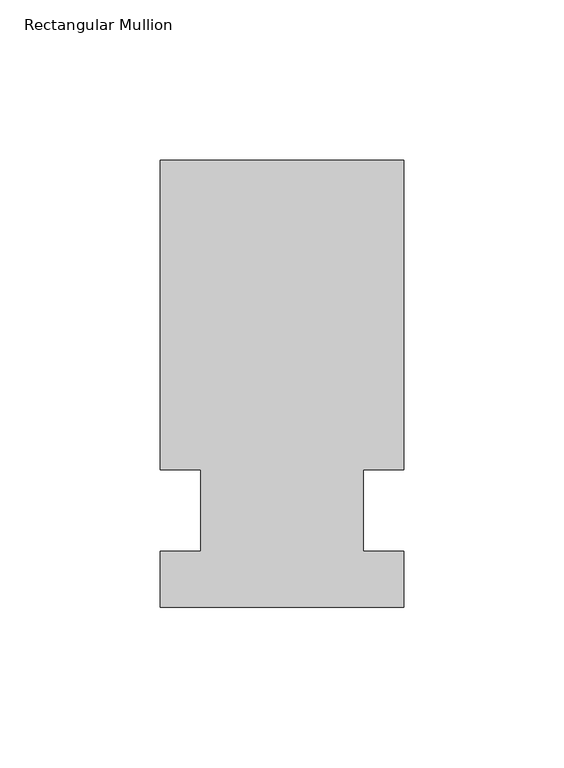
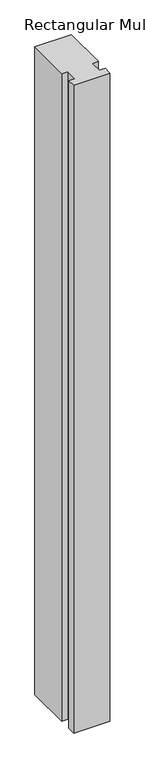
"""IFC4 building model written with IfcOpenShell, lengths in millimetres: member geometry, Rectangular Mullion."""

from ifc_helpers import new_model, si_unit, frame, origin, place, context, project, spatial, polyline, outline, extrude, source, transform, mapped, element, save


def rectangular_mullion_4384dd46(model_context):
    return source(origin(), model_context, "Body", "SweptSolid", [
        extrude(outline(polyline([(42.4344027, 109.5375), (42.4344027, 12.7), (29.7326322, 12.7), (29.7326322, -12.7), (42.4344027, -12.7), (42.4344027, -30.1625), (-33.7655973, -30.1625), (-33.7655973, -12.7), (-21.0655973, -12.7), (-21.0655973, 12.7), (-33.7655973, 12.7), (-33.7655973, 109.5375), (42.4344027, 109.5375)])), frame((0.0, 0.0, -1430.8666667), z_axis=(0.0, 0.0, 1.0), x_axis=(1.0, 0.0, 0.0)), (0.0, 0.0, 1.0), 1430.8666667),
    ])


if __name__ == "__main__":
    model = new_model("IFC4")
    model_context = context("Model", 3, world=origin())
    ifc_project = project(units=[si_unit("LENGTHUNIT", "METRE", prefix="MILLI")], contexts=[model_context])
    site = spatial("IfcSite", under=ifc_project)
    building = spatial("IfcBuilding", under=site)
    placement = place(None, origin())
    rectangular_mullion_shape = rectangular_mullion_4384dd46(model_context)
    element("IfcMember", 1, ObjectType="Rectangular Mullion", at=placement, inside=building, context=model_context, shape_type="MappedRepresentation", body=[
        mapped(rectangular_mullion_shape, transform((0.0, 0.0, 0.0), x_axis=(1.0, 0.0, 0.0), y_axis=(0.0, 1.0, 0.0), z_axis=(0.0, 0.0, 1.0))),
    ])
    save(model, "model.ifc")
